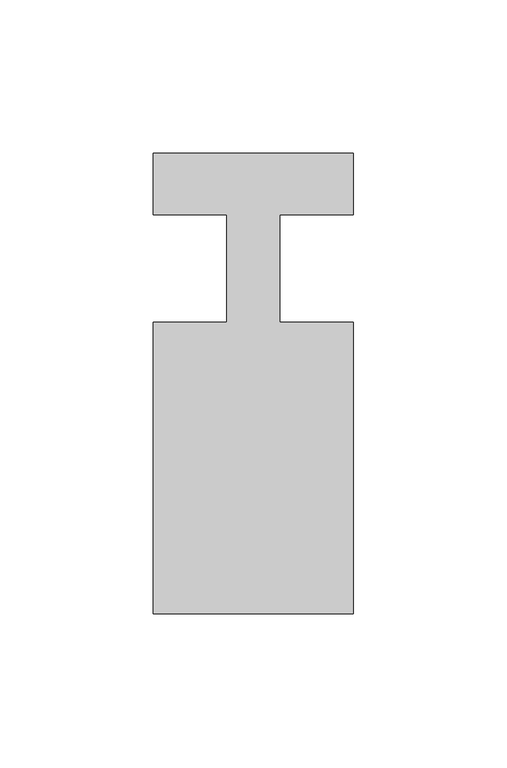
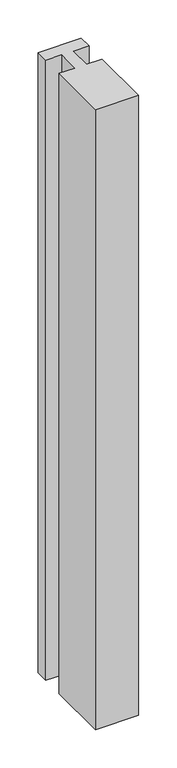
"""IFC4 building model written with IfcOpenShell, lengths in millimetres: member geometry."""

from ifc_helpers import new_model, si_unit, frame, origin, place, context, project, spatial, polyline, outline, extrude, source, transform, mapped, element, save


def member_77f4adc2(model_context):
    return source(origin(), model_context, "Body", "SweptSolid", [
        extrude(outline(polyline([(0.0, 37.0), (0.0, 17.0), (-23.8125, 17.0), (-23.8125, -18.0), (0.0, -18.0), (0.0, -113.0), (-65.0, -113.0), (-65.0, -18.0), (-41.1875, -18.0), (-41.1875, 17.0), (-65.0, 17.0), (-65.0, 37.0), (0.0, 37.0)])), frame((0.0, 0.0, -988.3333333), z_axis=(0.0, 0.0, 1.0), x_axis=(1.0, 0.0, 0.0)), (0.0, 0.0, 1.0), 988.3333333),
    ])


if __name__ == "__main__":
    model = new_model("IFC4")
    model_context = context("Model", 3, world=origin())
    ifc_project = project(units=[si_unit("LENGTHUNIT", "METRE", prefix="MILLI")], contexts=[model_context])
    site = spatial("IfcSite", under=ifc_project)
    building = spatial("IfcBuilding", under=site)
    placement = place(None, origin())
    member_shape = member_77f4adc2(model_context)
    element("IfcMember", 1, at=placement, inside=building, context=model_context, shape_type="MappedRepresentation", body=[
        mapped(member_shape, transform((0.0, 0.0, 0.0), x_axis=(1.0, 0.0, 0.0), y_axis=(0.0, 1.0, 0.0), z_axis=(0.0, 0.0, 1.0))),
    ])
    save(model, "model.ifc")
